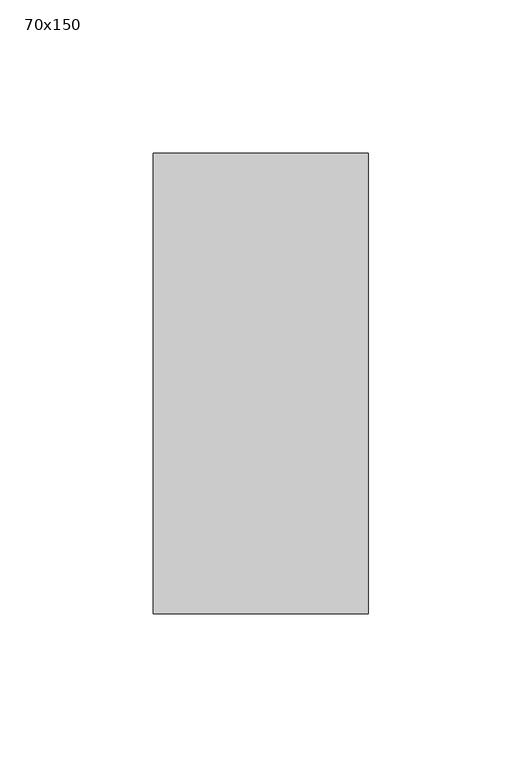
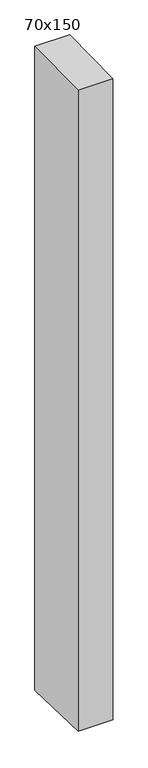
"""IFC4 building model written with IfcOpenShell, lengths in millimetres: member geometry, 70x150."""

from ifc_helpers import new_model, si_unit, frame, origin, place, context, project, spatial, polyline, outline, extrude, source, transform, mapped, element, save


def member_70x150_cba9ed60(model_context):
    return source(origin(), model_context, "Body", "SweptSolid", [
        extrude(outline(polyline([(-75.0, -0.9749865), (75.0, 0.9749865), (75.0, -1364.4939871), (-75.0, -1360.6772893), (-75.0, -0.9749865)])), frame((-35.0, 0.0, 0.0), z_axis=(1.0, 0.0, 0.0), x_axis=(0.0, 1.0, 0.0)), (0.0, 0.0, 1.0), 70.0),
    ])


if __name__ == "__main__":
    model = new_model("IFC4")
    model_context = context("Model", 3, world=origin())
    ifc_project = project(units=[si_unit("LENGTHUNIT", "METRE", prefix="MILLI")], contexts=[model_context])
    site = spatial("IfcSite", under=ifc_project)
    building = spatial("IfcBuilding", under=site)
    placement = place(None, origin())
    member_70x150_shape = member_70x150_cba9ed60(model_context)
    element("IfcMember", 1, ObjectType="70x150", at=placement, inside=building, context=model_context, shape_type="MappedRepresentation", body=[
        mapped(member_70x150_shape, transform((0.0, 0.0, 0.0), x_axis=(1.0, 0.0, 0.0), y_axis=(0.0, 1.0, 0.0), z_axis=(0.0, 0.0, 1.0))),
    ])
    save(model, "model.ifc")
